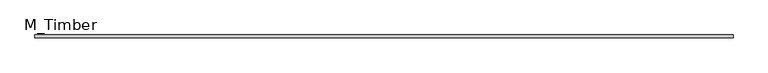
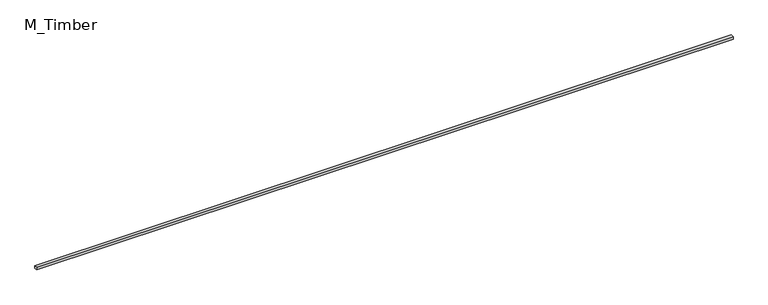
"""IFC4 building model written with IfcOpenShell, lengths in millimetres: beam geometry, M_Timber."""

from ifc_helpers import new_model, si_unit, frame, origin, place, context, project, spatial, polyline, outline, extrude, source, transform, mapped, element, save


def m_timber_d1cae453(model_context):
    return source(origin(), model_context, "Body", "SweptSolid", [
        extrude(outline(polyline([(4949.0246734, 20.0), (4949.0246734, -20.0), (-4949.0246734, -20.0), (-4949.0246734, 20.0), (4949.0246734, 20.0)])), frame((0.0, 0.0, -20.0), z_axis=(0.0, 0.0, 1.0), x_axis=(1.0, 0.0, 0.0)), (0.0, 0.0, 1.0), 40.0),
    ])


if __name__ == "__main__":
    model = new_model("IFC4")
    model_context = context("Model", 3, world=origin())
    ifc_project = project(units=[si_unit("LENGTHUNIT", "METRE", prefix="MILLI")], contexts=[model_context])
    site = spatial("IfcSite", under=ifc_project)
    building = spatial("IfcBuilding", under=site)
    placement = place(None, origin())
    m_timber_shape = m_timber_d1cae453(model_context)
    element("IfcBeam", 1, ObjectType="M_Timber", at=placement, inside=building, context=model_context, shape_type="MappedRepresentation", body=[
        mapped(m_timber_shape, transform((0.0, 0.0, 0.0), x_axis=(1.0, 0.0, 0.0), y_axis=(0.0, 1.0, 0.0), z_axis=(0.0, 0.0, 1.0))),
    ])
    save(model, "model.ifc")
